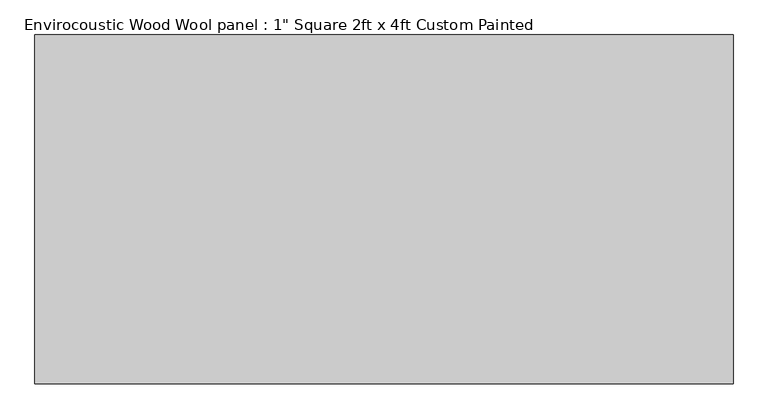
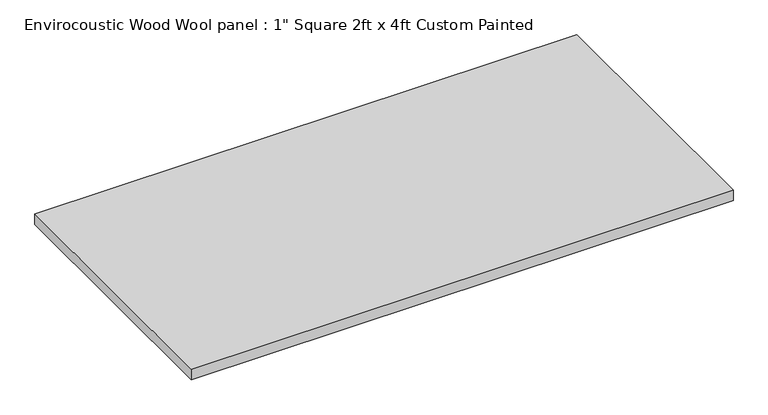
"""IFC4 building model written with IfcOpenShell, lengths in millimetres: proxy geometry."""

from ifc_helpers import new_model, si_unit, origin, origin_with_axes, place, context, project, spatial, polyline, outline, extrude, source, transform, mapped, element, save


def proxy_82ed4230(model_context):
    return source(origin(), model_context, "Body", "SweptSolid", [
        extrude(outline(polyline([(-609.6, 304.8), (609.6, 304.8), (609.6, -304.8), (-609.6, -304.8), (-609.6, 304.8)])), origin_with_axes(), (0.0, 0.0, 1.0), 25.4),
    ])


if __name__ == "__main__":
    model = new_model("IFC4")
    model_context = context("Model", 3, world=origin())
    ifc_project = project(units=[si_unit("LENGTHUNIT", "METRE", prefix="MILLI")], contexts=[model_context])
    site = spatial("IfcSite", under=ifc_project)
    building = spatial("IfcBuilding", under=site)
    placement = place(None, origin())
    proxy_shape = proxy_82ed4230(model_context)
    element("IfcBuildingElementProxy", 1, Name="Envirocoustic Wood Wool panel : 1\" Square 2ft x 4ft Custom Painted", ObjectType="Envirocoustic Wood Wool panel : 1\" Square 2ft x 4ft Custom Painted", at=placement, inside=building, context=model_context, shape_type="MappedRepresentation", body=[
        mapped(proxy_shape, transform((0.0, 0.0, 0.0), x_axis=(1.0, 0.0, 0.0), y_axis=(0.0, 1.0, 0.0), z_axis=(0.0, 0.0, 1.0))),
    ])
    save(model, "model.ifc")
